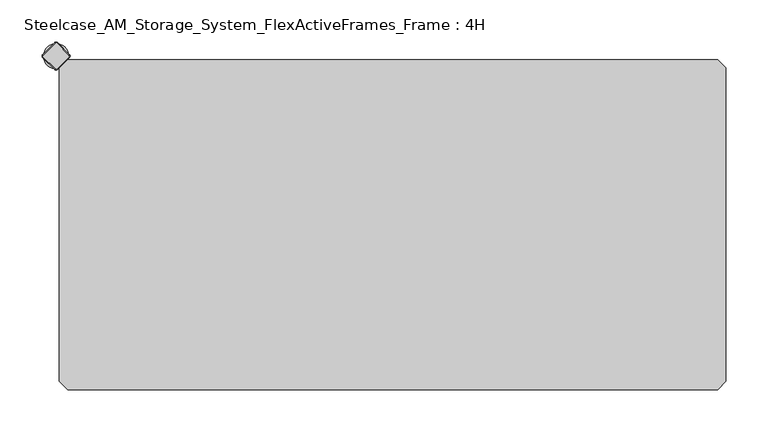
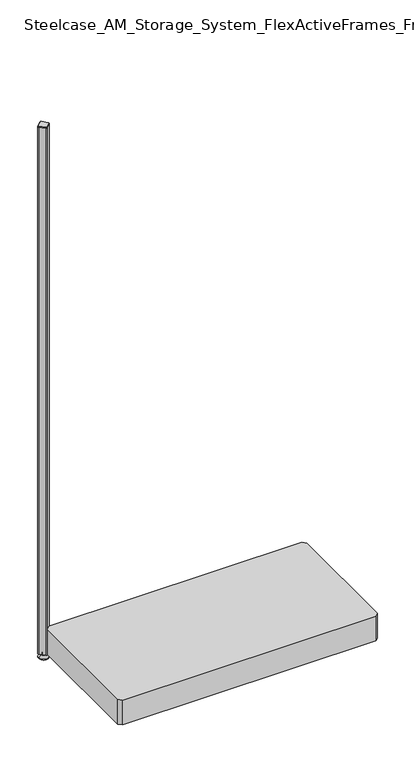
"""IFC4 building model written with IfcOpenShell, lengths in millimetres: furniture geometry, Steelcase_AM_Storage_System_FlexActiveFrames_Frame : 4H."""

from ifc_helpers import new_model, si_unit, point, frame, frame_2d, origin, place, context, project, spatial, polyline, circle_curve, trimmed, segment, composite_curve, outline, extrude, source, transform, mapped, element, save
from ifc_brep_helpers import plane_surface, cylinder_surface, revolved_surface, advanced_brep


def steelcase_am_storage_system_flexactiveframes_frame_4h_3b38c96c(model_context):
    return source(origin(), model_context, "Body", "SolidModel", [
        advanced_brep(
        [(-15.0, 0.0, 0.0), (15.0, 0.0, 0.0), (0.0, 0.0, 0.0), (-15.0, 0.0, 2.0), (15.0, 0.0, 2.0), (-8.0, 0.0, 9.0), (8.0, 0.0, 9.0), (-4.0, 0.0, 9.0), (4.0, 0.0, 9.0), (-4.0, 0.0, 15.0), (4.0, 0.0, 15.0), (0.0, 0.0, 15.0)],
        [
            (0, 1, circle_curve(frame((0.0, 0.0, 0.0), z_axis=(0.0, 0.0, -1.0), x_axis=(1.0, 0.0, 0.0)), 15.0)),
            (1, 2),
            (2, 0),
            (1, 0, circle_curve(frame((0.0, 0.0, 0.0), z_axis=(0.0, 0.0, -1.0), x_axis=(1.0, 0.0, 0.0)), 15.0)),
            (3, 4, circle_curve(frame((0.0, 0.0, 2.0), z_axis=(0.0, 0.0, -1.0), x_axis=(1.0, 0.0, 0.0)), 15.0)),
            (4, 1),
            (0, 3),
            (4, 3, circle_curve(frame((0.0, 0.0, 2.0), z_axis=(0.0, 0.0, -1.0), x_axis=(1.0, 0.0, 0.0)), 15.0)),
            (5, 6, circle_curve(frame((0.0, 0.0, 9.0), z_axis=(0.0, 0.0, -1.0), x_axis=(1.0, 0.0, 0.0)), 8.0)),
            (6, 4),
            (3, 5),
            (6, 5, circle_curve(frame((0.0, 0.0, 9.0), z_axis=(0.0, 0.0, -1.0), x_axis=(1.0, 0.0, 0.0)), 8.0)),
            (7, 8, circle_curve(frame((0.0, 0.0, 9.0), z_axis=(0.0, 0.0, -1.0), x_axis=(1.0, 0.0, 0.0)), 4.0)),
            (8, 6),
            (5, 7),
            (8, 7, circle_curve(frame((0.0, 0.0, 9.0), z_axis=(0.0, 0.0, -1.0), x_axis=(1.0, 0.0, 0.0)), 4.0)),
            (9, 10, circle_curve(frame((0.0, 0.0, 15.0), z_axis=(0.0, 0.0, -1.0), x_axis=(1.0, 0.0, 0.0)), 4.0)),
            (10, 8),
            (7, 9),
            (10, 9, circle_curve(frame((0.0, 0.0, 15.0), z_axis=(0.0, 0.0, -1.0), x_axis=(1.0, 0.0, 0.0)), 4.0)),
            (11, 10),
            (9, 11),
        ],
        [
            plane_surface(frame((0.0, 0.0, 0.0), z_axis=(0.0, 0.0, -1.0), x_axis=(1.0, 0.0, 0.0))),
            cylinder_surface(frame((0.0, 0.0, 18.6083303), z_axis=(0.0, 0.0, 1.0), x_axis=(1.0, 0.0, 0.0)), 15.0),
            revolved_surface(polyline([(15.0, 0.0, 2.0), (8.0, 0.0, 9.0)]), (0.0, 0.0, 18.6083303), (0.0, 0.0, 1.0)),
            plane_surface(frame((0.0, 0.0, 9.0), z_axis=(0.0, 0.0, 1.0), x_axis=(1.0, 0.0, 0.0))),
            cylinder_surface(frame((0.0, 0.0, 18.6083303), z_axis=(0.0, 0.0, 1.0), x_axis=(1.0, 0.0, 0.0)), 4.0),
            plane_surface(frame((0.0, 0.0, 15.0), z_axis=(0.0, 0.0, 1.0), x_axis=(1.0, 0.0, 0.0))),
        ],
        [
            (0, [[1, 2, 3]]),
            (0, [[4, -3, -2]]),
            (1, [[5, 6, -1, 7]]),
            (1, [[8, -7, -4, -6]]),
            (2, [[9, 10, -5, 11]]),
            (2, [[12, -11, -8, -10]]),
            (3, [[13, 14, -9, 15]]),
            (3, [[16, -15, -12, -14]]),
            (4, [[17, 18, -13, 19]]),
            (4, [[20, -19, -16, -18]]),
            (5, [[21, -17, 22]]),
            (5, [[-22, -20, -21]]),
        ],
    ),
        advanced_brep(
        [(-1.2020815, 15.3442172, 1717.0), (-15.3442172, 1.2020815, 1717.0), (-15.3442172, -1.2020815, 1717.0), (-1.2020815, -15.3442172, 1717.0), (1.2020815, -15.3442172, 1717.0), (15.3442172, -1.2020815, 1717.0), (15.3442172, 1.2020815, 1717.0), (1.2020815, 15.3442172, 1717.0), (-1.767767, 15.9099026, 1715.0), (1.767767, 15.9099026, 1715.0), (15.9099026, 1.767767, 1715.0), (15.9099026, -1.767767, 1715.0), (1.767767, -15.9099026, 1715.0), (-1.767767, -15.9099026, 1715.0), (-15.9099026, -1.767767, 1715.0), (-15.9099026, 1.767767, 1715.0)],
        [
            (0, 1),
            (1, 2, circle_curve(frame((-14.1421356, 0.0, 1717.0), z_axis=(0.0, 0.0, 1.0), x_axis=(-0.707106781186549, 0.707106781186546, 0.0)), 1.7)),
            (2, 3),
            (3, 4, circle_curve(frame((0.0, -14.1421356, 1717.0), z_axis=(0.0, 0.0, 1.0), x_axis=(-0.7071067811865497, -0.7071067811865452, 0.0)), 1.7)),
            (4, 5),
            (5, 6, circle_curve(frame((14.1421356, 0.0, 1717.0), z_axis=(0.0, 0.0, 1.0), x_axis=(0.7071067811865358, -0.7071067811865593, 0.0)), 1.7)),
            (6, 7),
            (7, 0, circle_curve(frame((0.0, 14.1421356, 1717.0), z_axis=(0.0, 0.0, 1.0), x_axis=(0.7071067811865486, 0.7071067811865465, 0.0)), 1.7)),
            (8, 9, circle_curve(frame((0.0, 14.1421356, 1715.0), z_axis=(0.0, 0.0, -1.0), x_axis=(0.7071067811865486, 0.7071067811865465, 0.0)), 2.5)),
            (9, 10),
            (10, 11, circle_curve(frame((14.1421356, 0.0, 1715.0), z_axis=(0.0, 0.0, -1.0), x_axis=(0.7071067811865358, -0.7071067811865593, 0.0)), 2.5)),
            (11, 12),
            (12, 13, circle_curve(frame((0.0, -14.1421356, 1715.0), z_axis=(0.0, 0.0, -1.0), x_axis=(-0.7071067811865497, -0.7071067811865452, 0.0)), 2.5)),
            (13, 14),
            (14, 15, circle_curve(frame((-14.1421356, 0.0, 1715.0), z_axis=(0.0, 0.0, -1.0), x_axis=(-0.707106781186549, 0.707106781186546, 0.0)), 2.5)),
            (15, 8),
            (15, 1),
            (0, 8),
            (14, 2),
            (13, 3),
            (12, 4),
            (11, 5),
            (10, 6),
            (9, 7),
        ],
        [
            plane_surface(frame((0.0, 0.0, 1717.0), z_axis=(0.0, 0.0, 1.0), x_axis=(-0.7071067811865437, 0.7071067811865515, 0.0))),
            plane_surface(frame((0.0, 0.0, 1715.0), z_axis=(0.0, 0.0, -1.0), x_axis=(-0.7071067811865437, 0.7071067811865515, 0.0))),
            plane_surface(frame((-8.8388348, 8.8388348, 1715.0), z_axis=(-0.6565321642986293, 0.6565321642986277, 0.37139067635404877), x_axis=(-0.7071067811865461, -0.707106781186549, 0.0))),
            revolved_surface(polyline([(-15.34421716, 1.20208156, 1717.0), (-15.9099026, 1.767767, 1715.0)]), (-14.1421356, 0.0, 1721.25), (0.0, 0.0, -1.0)),
            plane_surface(frame((-8.8388348, -8.8388348, 1715.0), z_axis=(-0.656532164298625, -0.656532164298632, 0.37139067635404815), x_axis=(0.7071067811865507, -0.7071067811865444, 0.0))),
            revolved_surface(polyline([(-1.20208156, -15.34421716, 1717.0), (-1.767767, -15.9099026, 1715.0)]), (0.0, -14.1421356, 1721.25), (0.0, 0.0, -1.0)),
            plane_surface(frame((8.8388348, -8.8388348, 1715.0), z_axis=(0.6565321642986273, -0.6565321642986317, 0.3713906763540451), x_axis=(0.7071067811865506, 0.7071067811865446, 0.0))),
            revolved_surface(polyline([(15.34421716, -1.20208156, 1717.0), (15.9099026, -1.767767, 1715.0)]), (14.1421356, 0.0, 1721.25), (0.0, 0.0, -1.0)),
            plane_surface(frame((8.8388348, 8.8388348, 1715.0), z_axis=(0.6565321642986316, 0.6565321642986274, 0.3713906763540451), x_axis=(-0.7071067811865459, 0.7071067811865492, 0.0))),
            revolved_surface(polyline([(1.20208156, 15.34421716, 1717.0), (1.767767, 15.9099026, 1715.0)]), (0.0, 14.1421356, 1721.25), (0.0, 0.0, -1.0)),
        ],
        [
            (0, [[1, 2, 3, 4, 5, 6, 7, 8]]),
            (1, [[9, 10, 11, 12, 13, 14, 15, 16]]),
            (2, [[-16, 17, -1, 18]]),
            (3, [[-15, 19, -2, -17]]),
            (4, [[-14, 20, -3, -19]]),
            (5, [[-13, 21, -4, -20]]),
            (6, [[-12, 22, -5, -21]]),
            (7, [[-11, 23, -6, -22]]),
            (8, [[-10, 24, -7, -23]]),
            (9, [[-9, -18, -8, -24]]),
        ],
    ),
        extrude(outline(composite_curve([segment(trimmed(circle_curve(frame_2d((14.1421356, 0.0)), 2.5), [point((15.9099026, 1.767767))], [point((15.9099026, -1.767767))], False, "CARTESIAN"), True, "CONTINUOUS"), segment(polyline([(15.9099026, -1.767767), (1.767767, -15.9099026)]), True, "CONTINUOUS"), segment(trimmed(circle_curve(frame_2d((0.0, -14.1421356)), 2.5), [point((1.767767, -15.9099026))], [point((-1.767767, -15.9099026))], False, "CARTESIAN"), True, "CONTINUOUS"), segment(polyline([(-1.767767, -15.9099026), (-15.9099026, -1.767767)]), True, "CONTINUOUS"), segment(trimmed(circle_curve(frame_2d((-14.1421356, 0.0)), 2.5), [point((-15.9099026, -1.767767))], [point((-15.9099026, 1.767767))], False, "CARTESIAN"), True, "CONTINUOUS"), segment(polyline([(-15.9099026, 1.767767), (-1.767767, 15.9099026)]), True, "CONTINUOUS"), segment(trimmed(circle_curve(frame_2d((0.0, 14.1421356)), 2.5), [point((-1.767767, 15.9099026))], [point((1.767767, 15.9099026))], False, "CARTESIAN"), True, "CONTINUOUS"), segment(polyline([(1.767767, 15.9099026), (15.9099026, 1.767767)]), True, "CONTINUOUS")], self_intersect=False)), frame((0.0, 0.0, 15.0), z_axis=(0.0, 0.0, 1.0), x_axis=(1.0, 0.0, 0.0)), (0.0, 0.0, 1.0), 1700.0),
        extrude(outline(polyline([(4.0, -13.6776695), (13.6776695, -4.0), (786.3223305, -4.0), (796.0, -13.6776695), (796.0, -386.3223305), (786.3223305, -396.0), (13.6776695, -396.0), (4.0, -386.3223305), (4.0, -13.6776695)])), frame((0.0, 0.0, 16.0), z_axis=(0.0, 0.0, 1.0), x_axis=(1.0, 0.0, 0.0)), (0.0, 0.0, 1.0), 80.0),
    ])


if __name__ == "__main__":
    model = new_model("IFC4")
    model_context = context("Model", 3, world=origin())
    ifc_project = project(units=[si_unit("LENGTHUNIT", "METRE", prefix="MILLI")], contexts=[model_context])
    site = spatial("IfcSite", under=ifc_project)
    building = spatial("IfcBuilding", under=site)
    placement = place(None, origin())
    steelcase_am_storage_system_flexactiveframes_frame_4h_shape = steelcase_am_storage_system_flexactiveframes_frame_4h_3b38c96c(model_context)
    element("IfcFurniture", 1, ObjectType="Steelcase_AM_Storage_System_FlexActiveFrames_Frame : 4H", at=placement, inside=building, context=model_context, shape_type="MappedRepresentation", body=[
        mapped(steelcase_am_storage_system_flexactiveframes_frame_4h_shape, transform((0.0, 0.0, 0.0), x_axis=(1.0, 0.0, 0.0), y_axis=(0.0, 1.0, 0.0), z_axis=(0.0, 0.0, 1.0))),
    ])
    save(model, "model.ifc")
